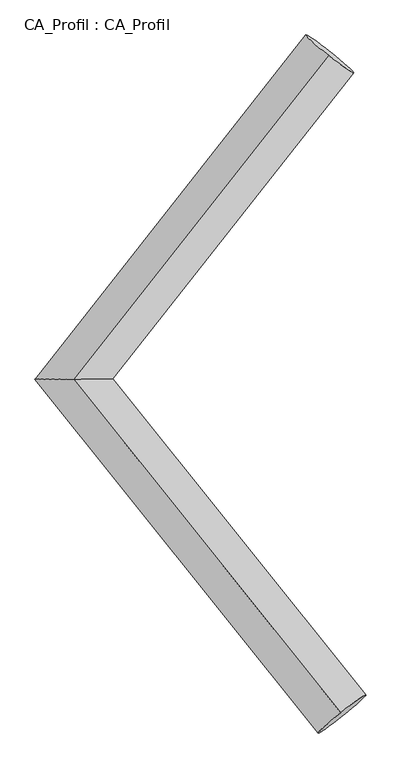
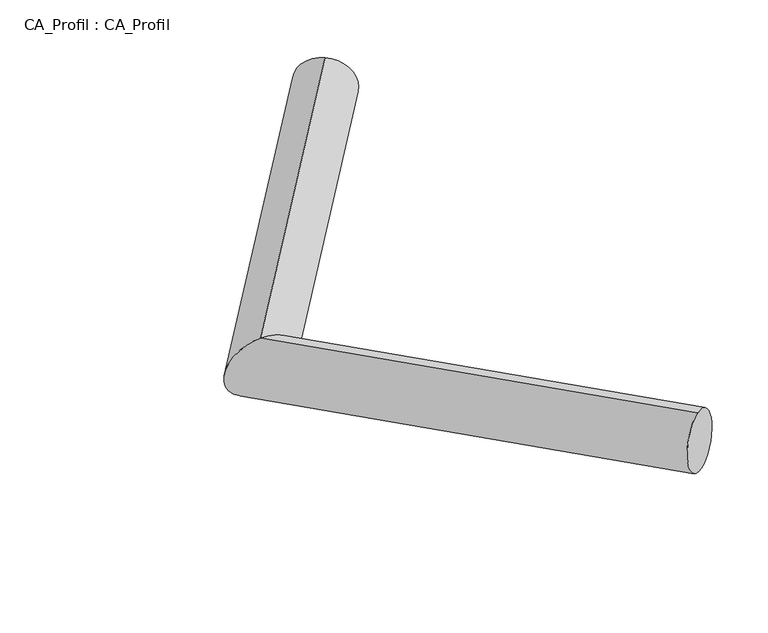
"""IFC4 building model written with IfcOpenShell, lengths in millimetres: plate geometry, CA_Profil : CA_Profil."""

from ifc_helpers import new_model, si_unit, frame, origin, place, context, project, spatial, circle_curve, ellipse_curve, source, transform, mapped, element, save
from ifc_brep_helpers import plane_surface, cylinder_surface, advanced_brep


def ca_profil_ca_profil_7a3a23ea(model_context):
    return source(origin(), model_context, "Body", "AdvancedBrep", [
        advanced_brep(
        [(6055.6835348, 8775.3473816, -140.1307908), (6036.9297498, 8749.7634093, 358.8619505), (3947.5257933, 6096.6443887, -356.7026793), (3947.8924943, 6095.3556113, 144.2543173), (6156.6667348, 3337.9773386, -146.4759663), (6137.7032861, 3360.8271058, 352.6415306)],
        [
            (0, 1, circle_curve(frame((6046.3066423, 8762.5553954, 109.3655798), z_axis=(0.6172049780281375, 0.7842434127749355, 0.0634057143829239), x_axis=(-0.03750757011771535, -0.05116794458043753, 0.9979854826756139)), 250.0)),
            (1, 0, circle_curve(frame((6046.3066423, 8762.5553954, 109.3655798), z_axis=(0.6172049780281375, 0.7842434127749355, 0.0634057143829239), x_axis=(-0.03750757011771535, -0.05116794458043753, 0.9979854826756139)), 250.0)),
            (0, 2),
            (2, 3, ellipse_curve(frame((3947.7091438, 6096.0, -106.224181), z_axis=(-0.004328821215607215, 0.999987313285529, 0.0025757668513560613), x_axis=(0.9951343016051093, 0.004054240285995624, 0.09844432388215604)), 319.8055535, 250.0)),
            (3, 1),
            (3, 2, ellipse_curve(frame((3947.7091438, 6096.0, -106.224181), z_axis=(-0.004328821215607215, 0.999987313285529, 0.0025757668513560613), x_axis=(0.9951343016051093, 0.004054240285995624, 0.09844432388215604)), 319.8055535, 250.0)),
            (4, 5, circle_curve(frame((6147.1850105, 3349.4022222, 103.0827822), z_axis=(0.623972873658425, -0.779186775454448, 0.05937863163922437), x_axis=(-0.03792689743549445, 0.045699534349229916, 0.9982349938822929)), 250.0)),
            (5, 4, circle_curve(frame((6147.1850105, 3349.4022222, 103.0827822), z_axis=(0.623972873658425, -0.779186775454448, 0.05937863163922437), x_axis=(-0.03792689743549445, 0.045699534349229916, 0.9982349938822929)), 250.0)),
            (2, 4),
            (5, 3),
        ],
        [
            plane_surface(frame((6046.3066423, 8782.7020404, -139.8213233), z_axis=(0.6172049780281366, 0.784243412774936, 0.06340571438292343), x_axis=(0.7868023990159712, -0.6151975883091325, -0.04973843826800084))),
            cylinder_surface(frame((6046.3066423, 8762.5553954, 109.3655798), z_axis=(0.6172049780281373, 0.7842434127749353, 0.06340571438292389), x_axis=(-0.03750757011771535, -0.05116794458043753, 0.9979854826756139)), 250.0),
            plane_surface(frame((6147.1850105, 3330.4058259, -146.1944469), z_axis=(0.6239728736584249, -0.7791867754544484, 0.059378631639224015), x_axis=(0.7814460012940417, 0.622168915819956, -0.047412943896926386))),
            cylinder_surface(frame((3947.7091438, 6096.0, -106.224181), z_axis=(-0.6239728736584251, 0.7791867754544483, -0.05937863163922438), x_axis=(-0.03792689743549445, 0.045699534349229916, 0.9982349938822929)), 250.0),
        ],
        [
            (0, [[1, 2]]),
            (1, [[-1, 3, 4, 5]]),
            (1, [[-2, -5, 6, -3]]),
            (2, [[7, 8]]),
            (3, [[-4, 9, -8, 10]]),
            (3, [[-6, -10, -7, -9]]),
        ],
    ),
    ])


if __name__ == "__main__":
    model = new_model("IFC4")
    model_context = context("Model", 3, world=origin())
    ifc_project = project(units=[si_unit("LENGTHUNIT", "METRE", prefix="MILLI")], contexts=[model_context])
    site = spatial("IfcSite", under=ifc_project)
    building = spatial("IfcBuilding", under=site)
    placement = place(None, origin())
    ca_profil_ca_profil_shape = ca_profil_ca_profil_7a3a23ea(model_context)
    element("IfcPlate", 1, ObjectType="CA_Profil : CA_Profil", at=placement, inside=building, context=model_context, shape_type="MappedRepresentation", body=[
        mapped(ca_profil_ca_profil_shape, transform((0.0, 0.0, 0.0), x_axis=(1.0, 0.0, 0.0), y_axis=(0.0, 1.0, 0.0), z_axis=(0.0, 0.0, 1.0))),
    ])
    save(model, "model.ifc")
